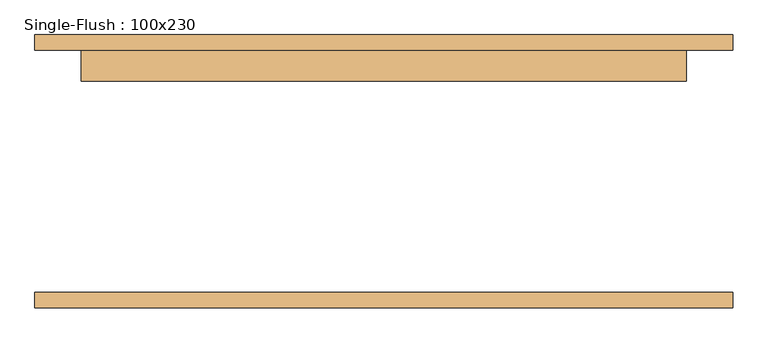
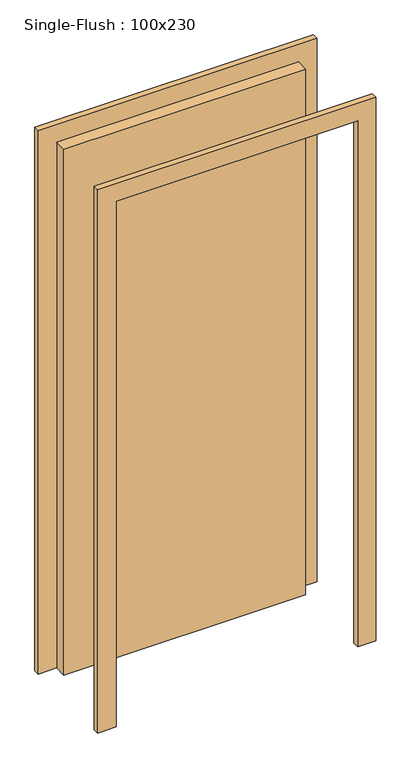
"""IFC4 building model written with IfcOpenShell, lengths in millimetres: door geometry, Single-Flush : 100x230."""

import ifcopenshell
import ifcopenshell.guid

model = None  # the IFC model being written
_history = None  # IfcOwnerHistory: only IFC2X3 demands one
_inside = {}  # id of a spatial element -> (the spatial element, [elements in it])
_under = {}  # id of a project, library or spatial element -> (it, [spatial elements below it])
_declared = {}  # id of a project -> (the project, [libraries it declares])
_typed = {}  # id of a type object -> (the type object, [elements of that type])
_made_of = {}  # id of a material, layer set ... -> (it, [elements and type objects made of it])


def new_model(schema):
    """Start an empty IFC model of exactly this schema.

    Asked for "IFC4X3", IfcOpenShell would pick the latest addendum, in which some entities
    have other attributes; the version numbers below select the first issue.
    IFC2X3 requires an IfcOwnerHistory on every rooted entity: one is made here for all.
    """
    global model, _history
    if schema == "IFC4X3":
        model = ifcopenshell.file(schema_version=(4, 3, 0, 0))
    else:
        model = ifcopenshell.file(schema=schema)
    _inside.clear()
    _under.clear()
    _declared.clear()
    _typed.clear()
    _made_of.clear()
    _history = None
    if model.schema == "IFC2X3":
        org = make("IfcOrganization", Name="unknown")
        user = make(
            "IfcPersonAndOrganization",
            ThePerson=make("IfcPerson", FamilyName="unknown"),
            TheOrganization=org,
        )
        app = make(
            "IfcApplication",
            ApplicationDeveloper=org,
            Version="unknown",
            ApplicationFullName="unknown",
            ApplicationIdentifier="unknown",
        )
        _history = make(
            "IfcOwnerHistory",
            OwningUser=user,
            OwningApplication=app,
            ChangeAction="ADDED",
            CreationDate=0,
        )
    return model


def make(cls, **values):
    """One entity of the class cls with the attributes given. An attribute that is None is left unset."""
    return model.create_entity(
        cls, **{name: value for name, value in values.items() if value is not None}
    )


def rooted(cls, **values):
    """An entity with a GlobalId (a new one), such as an element, a storey or a relation."""
    return make(cls, GlobalId=ifcopenshell.guid.new(), OwnerHistory=_history, **values)


def si_unit(unit_type, name, prefix=None):
    """IfcSIUnit, for example si_unit("LENGTHUNIT", "METRE", prefix="MILLI")."""
    return make("IfcSIUnit", UnitType=unit_type, Prefix=prefix, Name=name)


def assignment(units):
    """IfcUnitAssignment: the units of a project."""
    return None if units is None else make("IfcUnitAssignment", Units=units)


def point(xyz):
    """IfcCartesianPoint."""
    return None if xyz is None else make("IfcCartesianPoint", Coordinates=xyz)


def direction(xyz):
    """IfcDirection."""
    return None if xyz is None else make("IfcDirection", DirectionRatios=xyz)


def frame(location, z_axis=None, x_axis=None):
    """IfcAxis2Placement3D, a coordinate frame: its origin and axes. An axis left out is left unset."""
    return make(
        "IfcAxis2Placement3D",
        Location=point(location),
        Axis=direction(z_axis),
        RefDirection=direction(x_axis),
    )


def origin():
    """The frame at (0, 0, 0) with its axes left unset."""
    return frame((0.0, 0.0, 0.0))


def origin_with_axes():
    """The frame at (0, 0, 0) with the z axis (0, 0, 1) and the x axis (1, 0, 0) written out."""
    return frame((0.0, 0.0, 0.0), z_axis=(0.0, 0.0, 1.0), x_axis=(1.0, 0.0, 0.0))


def place(relative_to, where):
    """IfcLocalPlacement: puts the frame where relative to a parent placement (None: the world)."""
    return make(
        "IfcLocalPlacement", PlacementRelTo=relative_to, RelativePlacement=where
    )


def context(
    kind, dimensions, precision=None, world=None, true_north=None, identifier=None
):
    """IfcGeometricRepresentationContext, for example the 3D "Model" context."""
    return make(
        "IfcGeometricRepresentationContext",
        ContextIdentifier=identifier,
        ContextType=kind,
        CoordinateSpaceDimension=dimensions,
        Precision=precision,
        WorldCoordinateSystem=world,
        TrueNorth=true_north,
    )


def project(units=None, contexts=None):
    """IfcProject with its units and contexts."""
    return rooted(
        "IfcProject",
        Name="project",
        RepresentationContexts=contexts,
        UnitsInContext=assignment(units),
    )


def spatial(cls, under=None, at=None, **own):
    """A site, building, storey or space (cls), placed at a placement, below another one or the project."""
    s = rooted(cls, ObjectPlacement=at, **own)
    if under is not None:
        _under.setdefault(under.id(), (under, []))[1].append(s)
    return s


def polyline(points):
    """IfcPolyline through the points."""
    return make("IfcPolyline", Points=[point(p) for p in points])


def outline(outer, holes=None, kind="AREA"):
    """IfcArbitraryClosedProfileDef: a profile drawn as a closed curve; with holes, ...WithVoids."""
    if holes is None:
        return make("IfcArbitraryClosedProfileDef", ProfileType=kind, OuterCurve=outer)
    return make(
        "IfcArbitraryProfileDefWithVoids",
        ProfileType=kind,
        OuterCurve=outer,
        InnerCurves=holes,
    )


def extrude(swept, where, along, depth):
    """IfcExtrudedAreaSolid: the profile swept, set in the frame where, extruded along a direction by depth."""
    return make(
        "IfcExtrudedAreaSolid",
        SweptArea=swept,
        Position=where,
        ExtrudedDirection=direction(along),
        Depth=depth,
    )


def shape(context_of_items, identifier, shape_type, items):
    """IfcShapeRepresentation: the items that make up one representation, for example the "Body"."""
    return make(
        "IfcShapeRepresentation",
        ContextOfItems=context_of_items,
        RepresentationIdentifier=identifier,
        RepresentationType=shape_type,
        Items=items,
    )


def source(mapping_origin, context_of_items, identifier, shape_type, items):
    """IfcRepresentationMap: a shape defined once, which mapped items show again and again."""
    return make(
        "IfcRepresentationMap",
        MappingOrigin=mapping_origin,
        MappedRepresentation=shape(context_of_items, identifier, shape_type, items),
    )


def transform(
    local_origin,
    x_axis=None,
    y_axis=None,
    z_axis=None,
    scale=None,
    scale2=None,
    scale3=None,
    uniform=True,
):
    """IfcCartesianTransformationOperator3D, or its non-uniform kind. x_axis, y_axis, z_axis: its Axis1, 2, 3."""
    if uniform:
        return make(
            "IfcCartesianTransformationOperator3D",
            Axis1=direction(x_axis),
            Axis2=direction(y_axis),
            LocalOrigin=point(local_origin),
            Scale=scale,
            Axis3=direction(z_axis),
        )
    return make(
        "IfcCartesianTransformationOperator3DnonUniform",
        Axis1=direction(x_axis),
        Axis2=direction(y_axis),
        LocalOrigin=point(local_origin),
        Scale=scale,
        Axis3=direction(z_axis),
        Scale2=scale2,
        Scale3=scale3,
    )


def mapped(mapping_source, mapping_target):
    """IfcMappedItem: shows the shape of a source again, moved by a transform."""
    return make(
        "IfcMappedItem", MappingSource=mapping_source, MappingTarget=mapping_target
    )


def made_of(thing, what):
    """Note that an element or type object is made of a material, layer set ...; save() writes the relation."""
    if what is not None:
        _made_of.setdefault(what.id(), (what, []))[1].append(thing)
    return thing


def element(
    cls,
    number,
    at=None,
    inside=None,
    cuts=None,
    type_object=None,
    material=None,
    context=None,
    identifier="Body",
    shape_type=None,
    held_by="IfcProductDefinitionShape",
    body=None,
    shapes=None,
    **own,
):
    """One element of the class cls, such as IfcWall. Its Tag is "e" and its number.

    at: its placement. inside: the storey or other place that contains it. cuts: it is an
    opening in that element (IfcRelVoidsElement). A single representation is given by context,
    identifier, shape_type and body (its items); several are given by shapes. held_by: the class
    of the entity that holds the representations. save() writes the other relations.
    """
    e = rooted(cls, Tag="e%d" % number, ObjectPlacement=at, **own)
    if body is not None:
        shapes = [shape(context, identifier, shape_type, body)]
    if shapes is not None:
        e.Representation = make(held_by, Representations=shapes)
    if inside is not None:
        _inside.setdefault(inside.id(), (inside, []))[1].append(e)
    if cuts is not None:
        rooted(
            "IfcRelVoidsElement", RelatingBuildingElement=cuts, RelatedOpeningElement=e
        )
    if type_object is not None:
        _typed.setdefault(type_object.id(), (type_object, []))[1].append(e)
    return made_of(e, material)


def aggregate(whole, parts):
    """IfcRelAggregates: a whole, such as a stair, and the parts it consists of."""
    return rooted("IfcRelAggregates", RelatingObject=whole, RelatedObjects=parts)


def save(model, path):
    """Write the relations noted so far, then the file.

    IfcRelAggregates (storeys below a building ...), IfcRelContainedInSpatialStructure (elements
    in a storey), IfcRelDefinesByType, IfcRelAssociatesMaterial and IfcRelDeclares: one each for
    every whole, place, type object, material and project.
    """
    for whole, parts in _under.values():
        aggregate(whole, parts)
    for where, things in _inside.values():
        rooted(
            "IfcRelContainedInSpatialStructure",
            RelatedElements=things,
            RelatingStructure=where,
        )
    for kind, things in _typed.values():
        rooted("IfcRelDefinesByType", RelatedObjects=things, RelatingType=kind)
    for what, things in _made_of.values():
        rooted("IfcRelAssociatesMaterial", RelatedObjects=things, RelatingMaterial=what)
    for by, libraries in _declared.values():
        rooted("IfcRelDeclares", RelatingContext=by, RelatedDefinitions=libraries)
    model.write(path)


def single_flush_100x230_ac0fe241(model_context):
    return source(origin(), model_context, "Body", "SweptSolid", [
        extrude(outline(polyline([(2376.2, -576.2), (0.0, -576.2), (0.0, -500.0), (2300.0, -500.0), (2300.0, 500.0), (0.0, 500.0), (0.0, 576.2), (2376.2, 576.2), (2376.2, -576.2)])), frame((0.0, 200.0, 0.0), z_axis=(0.0, 1.0, 0.0), x_axis=(0.0, 0.0, 1.0)), (0.0, 0.0, 1.0), 25.4),
        extrude(outline(polyline([(2376.2, 576.2), (2376.2, -576.2), (0.0, -576.2), (0.0, -500.0), (2300.0, -500.0), (2300.0, 500.0), (0.0, 500.0), (0.0, 576.2), (2376.2, 576.2)])), frame((0.0, -225.4, 0.0), z_axis=(0.0, 1.0, 0.0), x_axis=(0.0, 0.0, 1.0)), (0.0, 0.0, 1.0), 25.4),
        extrude(outline(polyline([(500.0, 149.2), (-500.0, 149.2), (-500.0, 200.0), (500.0, 200.0), (500.0, 149.2)])), origin_with_axes(), (0.0, 0.0, 1.0), 2300.0),
    ])


if __name__ == "__main__":
    model = new_model("IFC4")
    model_context = context("Model", 3, world=origin())
    ifc_project = project(units=[si_unit("LENGTHUNIT", "METRE", prefix="MILLI")], contexts=[model_context])
    site = spatial("IfcSite", under=ifc_project)
    building = spatial("IfcBuilding", under=site)
    placement = place(None, origin())
    single_flush_100x230_shape = single_flush_100x230_ac0fe241(model_context)
    element("IfcDoor", 1, ObjectType="Single-Flush : 100x230", at=placement, inside=building, context=model_context, shape_type="MappedRepresentation", body=[
        mapped(single_flush_100x230_shape, transform((0.0, 0.0, 0.0), x_axis=(1.0, 0.0, 0.0), y_axis=(0.0, 1.0, 0.0), z_axis=(0.0, 0.0, 1.0))),
    ])
    save(model, "model.ifc")
